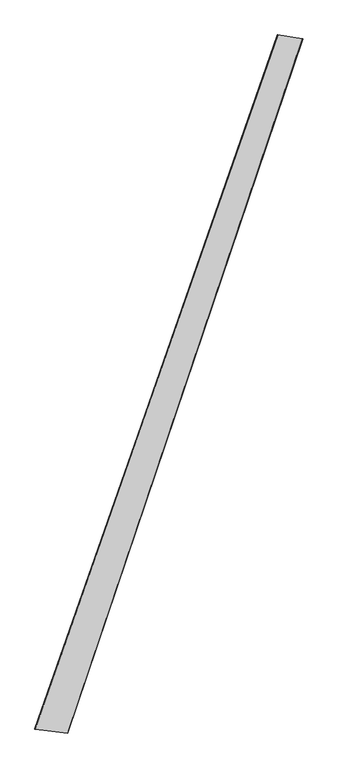
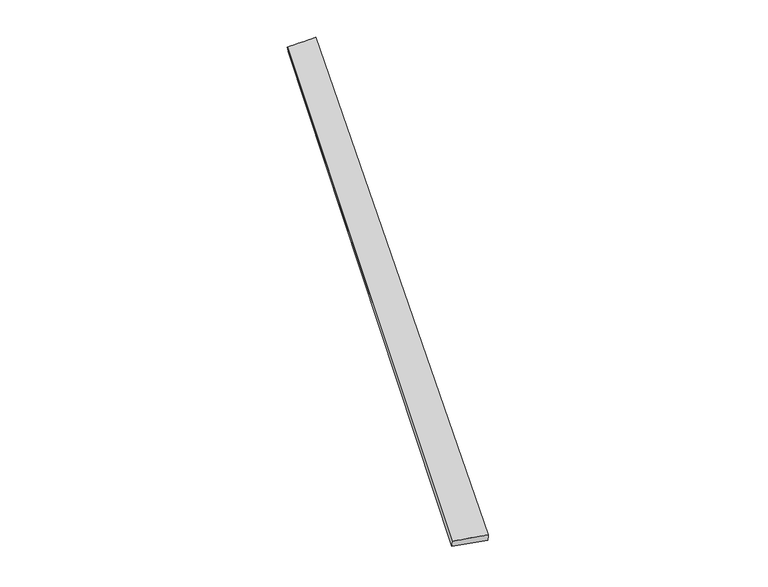
"""IFC4 building model written with IfcOpenShell, lengths in millimetres: proxy geometry."""

from ifc_helpers import new_model, si_unit, origin, place, context, project, spatial, source, transform, mapped, element, save
from ifc_brep_helpers import spline_surface, advanced_brep


def generic_models_54b3c7ae(model_context):
    return source(origin(), model_context, "Body", "AdvancedBrep", [
        advanced_brep(
        [(-689.5542749, -1746.8708298, 7.4576382), (-686.7069413, -1747.7392161, 37.3095829), (674.4323277, 2150.40181, 19.8163695), (679.0910652, 2148.6342038, -9.7669321), (-504.8696646, -1769.9278627, 22.461939), (813.9847965, 2128.3581464, 39.5862243), (-506.7624043, -1769.1522686, -7.4682463), (817.225614, 2127.3888947, 9.7775401)],
        [
            (0, 1),
            (1, 2),
            (2, 3),
            (3, 0),
            (1, 4),
            (4, 5),
            (5, 2),
            (4, 6),
            (6, 7),
            (7, 5),
            (6, 0),
            (3, 7),
        ],
        [
            spline_surface(1, 1, [[(-689.5542749, -1746.8708298, 7.4576382), (679.0910652, 2148.6342038, -9.7669321)], [(-686.7069413, -1747.7392161, 37.3095829), (674.4323277, 2150.40181, 19.8163695)]], [2, 2], [2, 2], [0.0, 1.0], [0.0, 1.0]),
            spline_surface(1, 1, [[(-686.7069413, -1747.7392161, 37.3095829), (674.4323277, 2150.40181, 19.8163695)], [(-504.8696646, -1769.9278627, 22.461939), (813.9847965, 2128.3581464, 39.5862243)]], [2, 2], [2, 2], [0.0, 1.0], [0.0, 1.0]),
            spline_surface(1, 1, [[(-504.8696646, -1769.9278627, 22.461939), (813.9847965, 2128.3581464, 39.5862243)], [(-506.7624043, -1769.1522686, -7.4682463), (817.225614, 2127.3888947, 9.7775401)]], [2, 2], [2, 2], [0.0, 1.0], [0.0, 1.0]),
            spline_surface(1, 1, [[(-506.7624043, -1769.1522686, -7.4682463), (817.225614, 2127.3888947, 9.7775401)], [(-689.5542749, -1746.8708298, 7.4576382), (679.0910652, 2148.6342038, -9.7669321)]], [2, 2], [2, 2], [0.0, 1.0], [0.0, 1.0]),
            spline_surface(1, 1, [[(674.4323277, 2150.40181, 19.8163695), (679.0910652, 2148.6342038, -9.7669321)], [(813.9847965, 2128.3581464, 39.5862243), (817.225614, 2127.3888947, 9.7775401)]], [2, 2], [2, 2], [0.0, 1.0], [0.0, 1.0]),
            spline_surface(1, 1, [[(-506.7624043, -1769.1522686, -7.4682463), (-689.5542749, -1746.8708298, 7.4576382)], [(-504.8696646, -1769.9278627, 22.461939), (-686.7069413, -1747.7392161, 37.3095829)]], [2, 2], [2, 2], [0.0, 1.0], [0.0, 1.0]),
        ],
        [
            (0, [[1, 2, 3, 4]]),
            (1, [[5, 6, 7, -2]]),
            (2, [[8, 9, 10, -6]]),
            (3, [[11, -4, 12, -9]]),
            (4, [[-3, -7, -10, -12]]),
            (5, [[-11, -8, -5, -1]]),
        ],
    ),
    ])


if __name__ == "__main__":
    model = new_model("IFC4")
    model_context = context("Model", 3, world=origin())
    ifc_project = project(units=[si_unit("LENGTHUNIT", "METRE", prefix="MILLI")], contexts=[model_context])
    site = spatial("IfcSite", under=ifc_project)
    building = spatial("IfcBuilding", under=site)
    placement = place(None, origin())
    generic_models_shape = generic_models_54b3c7ae(model_context)
    element("IfcBuildingElementProxy", 1, Name="Generic Models", at=placement, inside=building, context=model_context, shape_type="MappedRepresentation", body=[
        mapped(generic_models_shape, transform((0.0, 0.0, 0.0), x_axis=(1.0, 0.0, 0.0), y_axis=(0.0, 1.0, 0.0), z_axis=(0.0, 0.0, 1.0))),
    ])
    save(model, "model.ifc")
